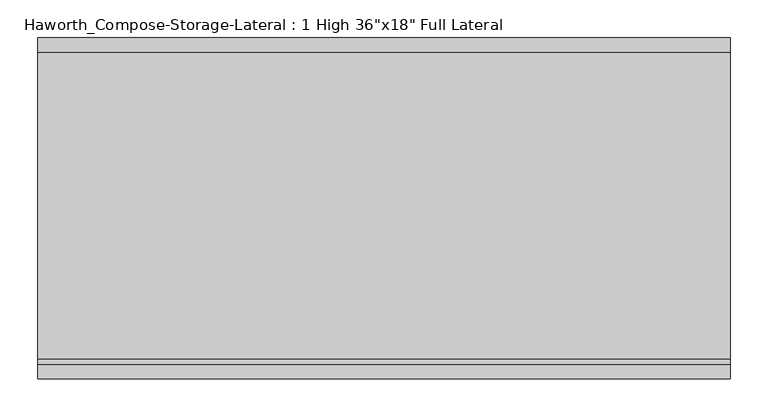
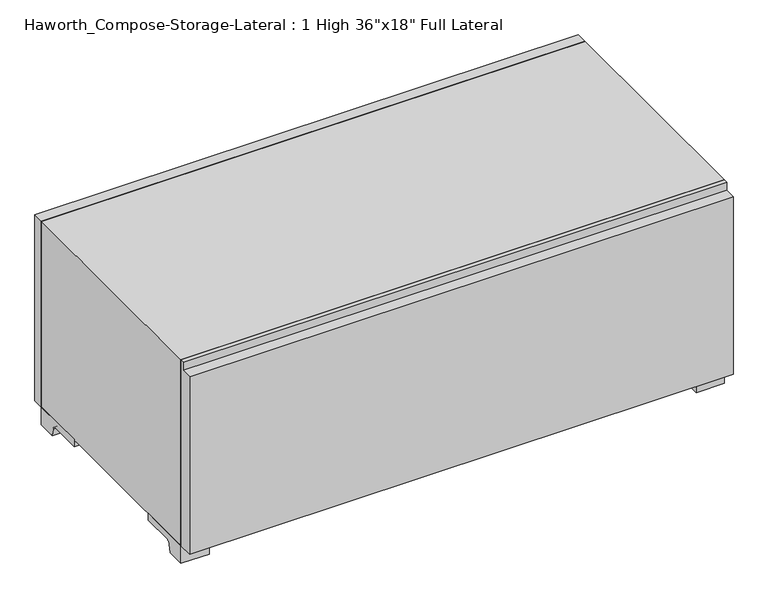
"""IFC4 building model written with IfcOpenShell, lengths in millimetres: furniture geometry."""

from ifc_helpers import new_model, si_unit, point, frame, frame_2d, origin, place, context, project, spatial, polyline, circle_curve, trimmed, segment, composite_curve, outline, extrude, source, transform, mapped, element, save


def furniture_3bc3fb1f(model_context):
    return source(origin(), model_context, "Body", "SweptSolid", [
        extrude(outline(polyline([(-152.4, 31.75), (-177.8, 31.75), (-177.8, 347.6625), (-158.75, 347.6625), (-158.75, 361.95), (-152.4, 361.95), (-152.4, 31.75)])), frame((-457.1861094, 0.0, 0.0), z_axis=(1.0, 0.0, 0.0), x_axis=(0.0, 1.0, 0.0)), (0.0, 0.0, 1.0), 914.4),
        extrude(outline(composite_curve([segment(polyline([(-120.65, 0.0), (-152.4, 0.0), (-152.4, 31.75), (-57.15, 31.75), (-57.15, 19.05), (-112.1833333, 19.05)]), True, "CONTINUOUS"), segment(trimmed(circle_curve(frame_2d((-112.1833333, 12.7)), 6.35), [point((-112.1833333, 19.05))], [point((-118.5333333, 12.7))], True, "CARTESIAN"), True, "CONTINUOUS"), segment(polyline([(-118.5333333, 12.7), (-120.65, 0.0)]), True, "CONTINUOUS")], self_intersect=False)), frame((409.5888906, 0.0, 0.0), z_axis=(1.0, 0.0, 0.0), x_axis=(0.0, 1.0, 0.0)), (0.0, 0.0, 1.0), 47.625),
        extrude(outline(composite_curve([segment(polyline([(222.25, 0.0), (220.1333333, 12.7)]), True, "CONTINUOUS"), segment(trimmed(circle_curve(frame_2d((213.7833333, 12.7)), 6.35), [point((220.1333333, 12.7))], [point((213.7833333, 19.05))], True, "CARTESIAN"), True, "CONTINUOUS"), segment(polyline([(213.7833333, 19.05), (158.75, 19.05), (158.75, 31.75), (254.0, 31.75), (254.0, 0.0), (222.25, 0.0)]), True, "CONTINUOUS")], self_intersect=False)), frame((409.5888906, 0.0, 0.0), z_axis=(1.0, 0.0, 0.0), x_axis=(0.0, 1.0, 0.0)), (0.0, 0.0, 1.0), 47.625),
        extrude(outline(composite_curve([segment(polyline([(-120.65, 0.0), (-152.4, 0.0), (-152.4, 31.75), (-57.15, 31.75), (-57.15, 19.05), (-112.1833333, 19.05)]), True, "CONTINUOUS"), segment(trimmed(circle_curve(frame_2d((-112.1833333, 12.7)), 6.35), [point((-112.1833333, 19.05))], [point((-118.5333333, 12.7))], True, "CARTESIAN"), True, "CONTINUOUS"), segment(polyline([(-118.5333333, 12.7), (-120.65, 0.0)]), True, "CONTINUOUS")], self_intersect=False)), frame((-457.1861094, 0.0, 0.0), z_axis=(1.0, 0.0, 0.0), x_axis=(0.0, 1.0, 0.0)), (0.0, 0.0, 1.0), 47.625),
        extrude(outline(composite_curve([segment(polyline([(222.25, 0.0), (220.1333333, 12.7)]), True, "CONTINUOUS"), segment(trimmed(circle_curve(frame_2d((213.7833333, 12.7)), 6.35), [point((220.1333333, 12.7))], [point((213.7833333, 19.05))], True, "CARTESIAN"), True, "CONTINUOUS"), segment(polyline([(213.7833333, 19.05), (158.75, 19.05), (158.75, 31.75), (254.0, 31.75), (254.0, 0.0), (222.25, 0.0)]), True, "CONTINUOUS")], self_intersect=False)), frame((-457.1861094, 0.0, 0.0), z_axis=(1.0, 0.0, 0.0), x_axis=(0.0, 1.0, 0.0)), (0.0, 0.0, 1.0), 47.625),
        extrude(outline(polyline([(457.2138906, 254.0), (-457.1861094, 254.0), (-457.1861094, 273.05), (457.2138906, 273.05), (457.2138906, 254.0)])), frame((0.0, 0.0, 31.75), z_axis=(0.0, 0.0, 1.0), x_axis=(1.0, 0.0, 0.0)), (0.0, 0.0, 1.0), 330.2),
        extrude(outline(polyline([(31.75, -457.1861094), (31.75, 457.2), (361.95, 457.2), (361.95, -457.1861094), (31.75, -457.1861094)]), holes=[polyline([(50.8, -438.1361094), (342.9, -438.1361094), (342.9, 438.1361094), (50.8, 438.1361094), (50.8, -438.1361094)])]), frame((0.0, -152.4, 0.0), z_axis=(0.0, 1.0, 0.0), x_axis=(0.0, 0.0, 1.0)), (0.0, 0.0, 1.0), 406.4),
        extrude(outline(polyline([(-438.1291641, 219.075), (-438.1291641, 228.6), (438.1569453, 228.6), (438.1569453, 219.075), (-438.1291641, 219.075)])), frame((0.0, 0.0, 50.8), z_axis=(0.0, 0.0, 1.0), x_axis=(1.0, 0.0, 0.0)), (0.0, 0.0, 1.0), 292.1),
    ])


if __name__ == "__main__":
    model = new_model("IFC4")
    model_context = context("Model", 3, world=origin())
    ifc_project = project(units=[si_unit("LENGTHUNIT", "METRE", prefix="MILLI")], contexts=[model_context])
    site = spatial("IfcSite", under=ifc_project)
    building = spatial("IfcBuilding", under=site)
    placement = place(None, origin())
    furniture_shape = furniture_3bc3fb1f(model_context)
    element("IfcFurniture", 1, ObjectType="Haworth_Compose-Storage-Lateral : 1 High 36\"x18\" Full Lateral", at=placement, inside=building, context=model_context, shape_type="MappedRepresentation", body=[
        mapped(furniture_shape, transform((0.0, 0.0, 0.0), x_axis=(1.0, 0.0, 0.0), y_axis=(0.0, 1.0, 0.0), z_axis=(0.0, 0.0, 1.0))),
    ])
    save(model, "model.ifc")
